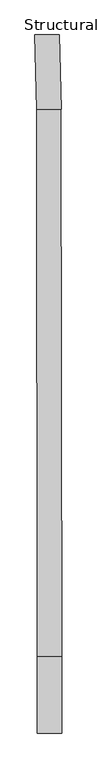
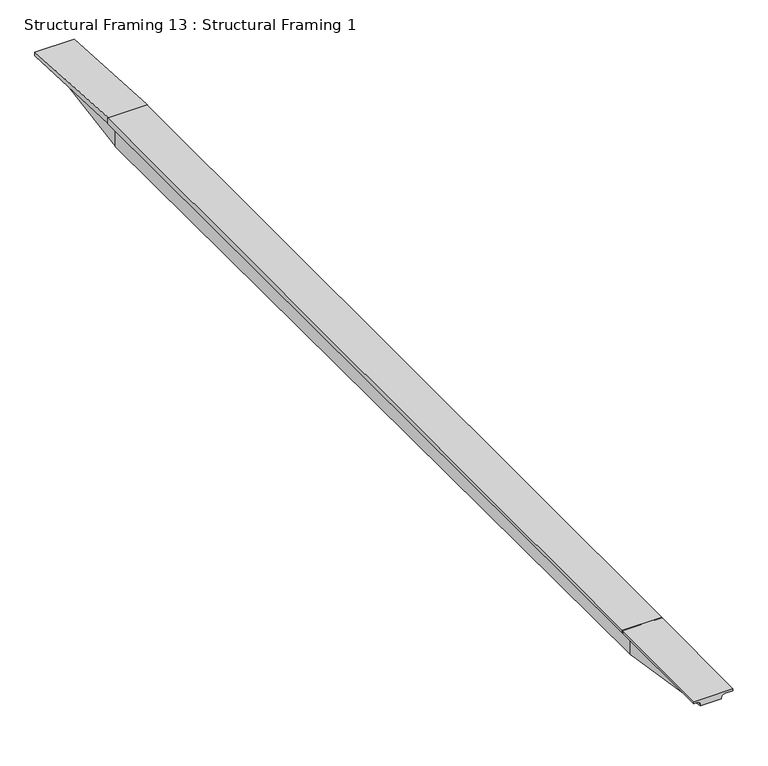
"""IFC4 building model written with IfcOpenShell, lengths in millimetres: beam geometry, Structural Framing 13 : Structural Framing 1."""

from ifc_helpers import new_model, si_unit, point, frame, origin, place, context, project, spatial, circle_curve, trimmed, source, transform, mapped, element, save
from ifc_brep_helpers import plane_surface, extruded_surface, spline_surface, advanced_brep


def structural_framing_13_structural_framing_1_60369990(model_context):
    return source(origin(), model_context, "Body", "AdvancedBrep", [
        advanced_brep(
        [(9959.5911336, -15419.398515, 6435.1474394), (10260.0436427, -15419.398515, 6435.1474394), (10260.0436427, -15419.398515, 6450.1474394), (10305.0436427, -15419.398515, 6495.1474394), (10422.3499345, -15419.398515, 6495.1474394), (10422.3499345, -15419.398515, 6525.1474394), (9868.5034847, -15419.398515, 6525.1474394), (9868.5034847, -15419.398515, 6495.1474394), (9919.5911336, -15419.398515, 6495.1474394), (9959.5911336, -15419.398515, 6455.1474394), (9985.1441832, -13669.733, 6128.9278364), (9985.1441832, -13669.733, 6453.3028364), (9945.1441832, -13669.733, 6493.3028364), (9870.1441832, -13669.733, 6493.3028364), (9870.1441832, -13669.733, 6530.6203153), (10424.3408508, -13669.733, 6530.6203153), (10424.3408508, -13669.733, 6488.9278364), (10326.8408508, -13669.733, 6488.9278364), (10291.8408508, -13669.733, 6453.9278364), (10291.8408508, -13669.733, 6128.9278364)],
        [
            (0, 1),
            (1, 2),
            (2, 3, circle_curve(frame((10305.0436427, -15419.398515, 6450.1474394), z_axis=(0.0, 1.0, 0.0), x_axis=(1.0, 0.0, 0.0)), 45.0)),
            (3, 4),
            (4, 5),
            (5, 6),
            (6, 7),
            (7, 8),
            (8, 9, circle_curve(frame((9919.5911336, -15419.398515, 6455.1474394), z_axis=(0.0, 1.0, 0.0), x_axis=(1.0, 0.0, 0.0)), 40.0)),
            (9, 0),
            (10, 11),
            (11, 12, circle_curve(frame((9945.1441832, -13669.733, 6453.3028364), z_axis=(0.0, -1.0, 0.0), x_axis=(1.0, 0.0, 0.0)), 40.0)),
            (12, 13),
            (13, 14),
            (14, 15),
            (15, 16),
            (16, 17),
            (17, 18, circle_curve(frame((10326.8408508, -13669.733, 6453.9278364), z_axis=(0.0, -1.0, 0.0), x_axis=(1.0, 0.0, 0.0)), 35.0)),
            (18, 19),
            (19, 10),
            (19, 1),
            (0, 10),
            (18, 2),
            (17, 3),
            (16, 4),
            (15, 5),
            (14, 6),
            (13, 7),
            (12, 8),
            (11, 9),
        ],
        [
            plane_surface(frame((10124.5611167, -15419.398515, 6480.6474394), z_axis=(0.0, -1.0, 0.0), x_axis=(0.0, 0.0, 1.0))),
            plane_surface(frame((10141.492517, -13669.733, 6419.0788322), z_axis=(0.0, 1.0, 0.0), x_axis=(1.0, 0.0, 0.0))),
            plane_surface(frame((10138.492517, -13669.733, 6128.9278364), z_axis=(0.0, -0.1723957020869721, -0.985027777223536), x_axis=(1.0, 0.0, 0.0))),
            plane_surface(frame((10291.8408508, -13669.733, 6291.4278364), z_axis=(0.9998349063538127, -0.018170306449332565, 0.0), x_axis=(0.0, 0.0, 1.0))),
            spline_surface(2, 1, [[(10291.8408508, -13669.733, 6453.9278364), (10260.0436427, -15419.398515, 6450.1474394)], [(10291.8408508, -13669.733, 6488.9278364), (10260.0436427, -15419.398515, 6495.1474394)], [(10326.8408508, -13669.733, 6488.9278364), (10305.0436427, -15419.398515, 6495.1474394)]], [3, 3], [2, 2], [0.0, 1.0], [0.0, 1.0], weights=[[1.0, 1.0], [0.7071067811865476, 0.7071067811865476], [1.0, 1.0]]),
            plane_surface(frame((10375.5908508, -13669.733, 6488.9278364), z_axis=(0.0, -0.003554715829066735, -0.9999936819777286), x_axis=(1.0, 0.0, 0.0))),
            plane_surface(frame((10424.3408508, -13669.733, 6509.7740758), z_axis=(0.9999993526106483, -0.0011378832472293484, 0.0), x_axis=(0.0, 0.0, 1.0))),
            plane_surface(frame((10147.242517, -13669.733, 6530.6203153), z_axis=(0.0, -0.0031279402691129594, 0.9999951079828705), x_axis=(-1.0, 0.0, 0.0))),
            plane_surface(frame((9870.1441832, -13669.733, 6511.9615758), z_axis=(-0.9999995603397319, 0.0009377208235758264, 0.0), x_axis=(0.0, 0.0, -1.0))),
            plane_surface(frame((9907.6441832, -13669.733, 6493.3028364), z_axis=(0.0, -0.001054259775092384, -0.9999994442680089), x_axis=(1.0, 0.0, 0.0))),
            extruded_surface(trimmed(circle_curve(frame((9945.1441832, -13669.733, 6453.3028364), z_axis=(0.0, 1.0, 0.0), x_axis=(1.0, 0.0, 0.0)), 40.0), [point((9945.1441832, -13669.733, 6493.3028364))], [point((9985.1441832, -13669.733, 6453.3028364))], True, "CARTESIAN"), (-25.553049599999213, -1749.6655150000006, 1.8446029999995517), 1749.8530724847458),
            plane_surface(frame((9985.1441832, -13669.733, 6291.1153364), z_axis=(-0.9998933708489924, 0.014602976828004821, 0.0), x_axis=(0.0, 0.0, -1.0))),
        ],
        [
            (0, [[1, 2, 3, 4, 5, 6, 7, 8, 9, 10]]),
            (1, [[11, 12, 13, 14, 15, 16, 17, 18, 19, 20]]),
            (2, [[-20, 21, -1, 22]]),
            (3, [[-19, 23, -2, -21]]),
            (4, [[-18, 24, -3, -23]]),
            (5, [[-17, 25, -4, -24]]),
            (6, [[-16, 26, -5, -25]]),
            (7, [[-15, 27, -6, -26]]),
            (8, [[-14, 28, -7, -27]]),
            (9, [[-13, 29, -8, -28]]),
            (10, [[-12, 30, -9, -29]]),
            (11, [[-11, -22, -10, -30]]),
        ],
    ),
        advanced_brep(
        [(9965.4701745, -1111.0746739, 6107.7037356), (10265.0575405, -1111.0746739, 6107.7037356), (10265.0575405, -1111.0746739, 6447.7037356), (10310.0575405, -1111.0746739, 6492.7037356), (10411.8166242, -1111.0746739, 6492.7037356), (10411.8166242, -1111.0746739, 6580.2037356), (9857.9701745, -1111.0746739, 6580.2037356), (9857.9701745, -1111.0746739, 6492.7037356), (9925.4701745, -1111.0746739, 6492.7037356), (9965.4701745, -1111.0746739, 6452.7037356), (9957.0973351, 599.5895126, 6412.6415468), (9957.0973351, 599.5895126, 6441.3915468), (9917.0973351, 599.5895126, 6481.3915468), (9812.0973351, 599.5895126, 6481.3915468), (9812.0973351, 599.5895126, 6537.6415468), (10366.2940026, 599.5895126, 6537.6415468), (10366.2940026, 599.5895126, 6472.6415468), (10296.2940026, 599.5895126, 6472.6415468), (10261.2940026, 599.5895126, 6437.6415468), (10261.2940026, 599.5895126, 6412.6415468)],
        [
            (0, 1),
            (1, 2),
            (2, 3, circle_curve(frame((10310.0575405, -1111.0746739, 6447.7037356), z_axis=(0.0, 1.0, 0.0), x_axis=(1.0, 0.0, 0.0)), 45.0)),
            (3, 4),
            (4, 5),
            (5, 6),
            (6, 7),
            (7, 8),
            (8, 9, circle_curve(frame((9925.4701745, -1111.0746739, 6452.7037356), z_axis=(0.0, 1.0, 0.0), x_axis=(1.0, 0.0, 0.0)), 40.0)),
            (9, 0),
            (10, 11),
            (11, 12, circle_curve(frame((9917.0973351, 599.5895126, 6441.3915468), z_axis=(0.0, -1.0, 0.0), x_axis=(1.0, 0.0, 0.0)), 40.0)),
            (12, 13),
            (13, 14),
            (14, 15),
            (15, 16),
            (16, 17),
            (17, 18, circle_curve(frame((10296.2940026, 599.5895126, 6437.6415468), z_axis=(0.0, -1.0, 0.0), x_axis=(1.0, 0.0, 0.0)), 35.0)),
            (18, 19),
            (19, 10),
            (19, 1),
            (0, 10),
            (18, 2),
            (17, 3),
            (16, 4),
            (15, 5),
            (14, 6),
            (13, 7),
            (12, 8),
            (11, 9),
        ],
        [
            plane_surface(frame((10123.6156742, -1111.0746739, 6424.7037356), z_axis=(0.0, -1.0, 0.0), x_axis=(0.0, 0.0, 1.0))),
            plane_surface(frame((10100.6956688, 599.5895126, 6468.7665468), z_axis=(0.0, 1.0, 0.0), x_axis=(1.0, 0.0, 0.0))),
            plane_surface(frame((10109.1956688, 599.5895126, 6412.6415468), z_axis=(0.0, 0.17549061662063295, -0.9844811036673635), x_axis=(1.0, 0.0, 0.0))),
            plane_surface(frame((10261.2940026, 599.5895126, 6425.1415468), z_axis=(0.9999975799101487, 0.002200039510052825, 0.0), x_axis=(0.0, 0.0, 1.0))),
            spline_surface(2, 1, [[(10261.2940026, 599.5895126, 6437.6415468), (10265.0575405, -1111.0746739, 6447.7037356)], [(10261.2940026, 599.5895126, 6472.6415468), (10265.0575405, -1111.0746739, 6492.7037356)], [(10296.2940026, 599.5895126, 6472.6415468), (10310.0575405, -1111.0746739, 6492.7037356)]], [3, 3], [2, 2], [0.0, 1.0], [0.0, 1.0], weights=[[1.0, 1.0], [0.7071067811865476, 0.7071067811865476], [1.0, 1.0]]),
            plane_surface(frame((10331.2940026, 599.5895126, 6472.6415468), z_axis=(0.0, -0.011726912529415167, -0.999931237397116), x_axis=(1.0, 0.0, 0.0))),
            plane_surface(frame((10366.2940026, 599.5895126, 6505.1415468), z_axis=(0.999646113152814, 0.026601662701257193, 0.0), x_axis=(0.0, 0.0, 1.0))),
            plane_surface(frame((10089.1956688, 599.5895126, 6537.6415468), z_axis=(0.0, 0.024872807545543198, 0.9996906238656049), x_axis=(-1.0, 0.0, 0.0))),
            plane_surface(frame((9812.0973351, 599.5895126, 6509.5165468), z_axis=(-0.9996406500587651, -0.026806170000386913, 0.0), x_axis=(0.0, 0.0, -1.0))),
            plane_surface(frame((9864.5973351, 599.5895126, 6481.3915468), z_axis=(0.0, -0.0066126020382346615, -0.9999781365081358), x_axis=(1.0, 0.0, 0.0))),
            extruded_surface(trimmed(circle_curve(frame((9917.0973351, 599.5895126, 6441.3915468), z_axis=(0.0, 1.0, 0.0), x_axis=(1.0, 0.0, 0.0)), 40.0), [point((9917.0973351, 599.5895126, 6481.3915468))], [point((9957.0973351, 599.5895126, 6441.3915468))], True, "CARTESIAN"), (8.372839400000885, -1710.6641865000001, 11.312188800000513), 1710.7220782549025),
            plane_surface(frame((9957.0973351, 599.5895126, 6427.0165468), z_axis=(-0.9999880221685727, -0.00489443759650172, 0.0), x_axis=(0.0, 0.0, -1.0))),
        ],
        [
            (0, [[1, 2, 3, 4, 5, 6, 7, 8, 9, 10]]),
            (1, [[11, 12, 13, 14, 15, 16, 17, 18, 19, 20]]),
            (2, [[-20, 21, -1, 22]]),
            (3, [[-19, 23, -2, -21]]),
            (4, [[-18, 24, -3, -23]]),
            (5, [[-17, 25, -4, -24]]),
            (6, [[-16, 26, -5, -25]]),
            (7, [[-15, 27, -6, -26]]),
            (8, [[-14, 28, -7, -27]]),
            (9, [[-13, 29, -8, -28]]),
            (10, [[-12, 30, -9, -29]]),
            (11, [[-11, -22, -10, -30]]),
        ],
    ),
        advanced_brep(
        [(9870.1441832, -13684.2069795, 6530.6203153), (9870.1441832, -13684.2069795, 6493.3028364), (9945.1441832, -13684.2069795, 6493.3028364), (9985.1441832, -13684.2069795, 6453.3028364), (9985.1441832, -13684.2069795, 6128.9278364), (10291.8408508, -13684.2069795, 6128.9278364), (10291.8408508, -13684.2069795, 6453.9278364), (10326.8408508, -13684.2069795, 6488.9278364), (10424.3408508, -13684.2069795, 6488.9278364), (10424.3408508, -13684.2069795, 6530.6203153), (9852.8875996, -1111.1089689, 6580.2037356), (10406.7340493, -1111.1089689, 6580.2037356), (10406.7340493, -1111.1089689, 6492.7037356), (10304.9749657, -1111.1089689, 6492.7037356), (10259.9749657, -1111.1089689, 6447.7037356), (10259.9749657, -1111.1089689, 6107.7037356), (9960.3875996, -1111.1089689, 6107.7037356), (9960.3875996, -1111.1089689, 6452.7037356), (9920.3875996, -1111.1089689, 6492.7037356), (9852.8875996, -1111.1089689, 6492.7037356)],
        [
            (0, 1),
            (1, 2),
            (2, 3, circle_curve(frame((9945.1441832, -13684.2069795, 6453.3028364), z_axis=(0.0, 1.0, 0.0), x_axis=(1.0, 0.0, 0.0)), 40.0)),
            (3, 4),
            (4, 5),
            (5, 6),
            (6, 7, circle_curve(frame((10326.8408508, -13684.2069795, 6453.9278364), z_axis=(0.0, 1.0, 0.0), x_axis=(1.0, 0.0, 0.0)), 35.0)),
            (7, 8),
            (8, 9),
            (9, 0),
            (10, 11),
            (11, 12),
            (12, 13),
            (13, 14, circle_curve(frame((10304.9749657, -1111.1089689, 6447.7037356), z_axis=(0.0, -1.0, 0.0), x_axis=(1.0, 0.0, 0.0)), 45.0)),
            (14, 15),
            (15, 16),
            (16, 17),
            (17, 18, circle_curve(frame((9920.3875996, -1111.1089689, 6452.7037356), z_axis=(0.0, -1.0, 0.0), x_axis=(1.0, 0.0, 0.0)), 40.0)),
            (18, 19),
            (19, 10),
            (19, 1),
            (0, 10),
            (18, 2),
            (17, 3),
            (16, 4),
            (15, 5),
            (14, 6),
            (13, 7),
            (12, 8),
            (11, 9),
        ],
        [
            plane_surface(frame((10141.492517, -13684.2069795, 6419.0788322), z_axis=(0.0, -1.0, 0.0), x_axis=(-1.0, 0.0, 0.0))),
            plane_surface(frame((10118.5330993, -1111.1089689, 6424.7037356), z_axis=(0.0, 1.0, 0.0), x_axis=(0.0, 0.0, -1.0))),
            plane_surface(frame((9852.8875996, -1111.1089689, 6536.4537356), z_axis=(-0.9999990581224808, -0.0013724992354045588, 0.0), x_axis=(0.0, 0.0, -1.0))),
            plane_surface(frame((9886.6375996, -1111.1089689, 6492.7037356), z_axis=(0.0, -4.764941025828181e-05, -0.9999999988647669), x_axis=(1.0, 0.0, 0.0))),
            extruded_surface(trimmed(circle_curve(frame((9920.3875996, -1111.1089689, 6452.7037356), z_axis=(0.0, 1.0, 0.0), x_axis=(1.0, 0.0, 0.0)), 40.0), [point((9920.3875996, -1111.1089689, 6492.7037356))], [point((9960.3875996, -1111.1089689, 6452.7037356))], True, "CARTESIAN"), (24.75658359999943, -12573.0980106, 0.5991008000000875), 12573.122397857542),
            plane_surface(frame((9960.3875996, -1111.1089689, 6280.2037356), z_axis=(-0.9999980615010702, -0.001969008405753122, 0.0), x_axis=(0.0, 0.0, -1.0))),
            plane_surface(frame((10110.1812826, -1111.1089689, 6107.7037356), z_axis=(0.0, -0.001688054165239717, -0.9999985752355527), x_axis=(1.0, 0.0, 0.0))),
            plane_surface(frame((10259.9749657, -1111.1089689, 6277.7037356), z_axis=(0.9999967882976967, 0.002534441613367901, 0.0), x_axis=(0.0, 0.0, 1.0))),
            spline_surface(2, 1, [[(10259.9749657, -1111.1089689, 6447.7037356), (10291.8408508, -13684.2069795, 6453.9278364)], [(10259.9749657, -1111.1089689, 6492.7037356), (10291.8408508, -13684.2069795, 6488.9278364)], [(10304.9749657, -1111.1089689, 6492.7037356), (10326.8408508, -13684.2069795, 6488.9278364)]], [3, 3], [2, 2], [0.0, 1.0], [0.0, 1.0], weights=[[1.0, 1.0], [0.7071067811865476, 0.7071067811865476], [1.0, 1.0]]),
            plane_surface(frame((10355.8545075, -1111.1089689, 6492.7037356), z_axis=(0.0, 0.0003003157312986745, -0.9999999549052297), x_axis=(1.0, 0.0, 0.0))),
            plane_surface(frame((10406.7340493, -1111.1089689, 6536.4537356), z_axis=(0.9999990195042842, 0.001400353694784652, 0.0), x_axis=(0.0, 0.0, 1.0))),
            plane_surface(frame((10129.8108244, -1111.1089689, 6580.2037356), z_axis=(0.0, -0.003943581343398225, 0.9999922240528614), x_axis=(-1.0, 0.0, 0.0))),
        ],
        [
            (0, [[1, 2, 3, 4, 5, 6, 7, 8, 9, 10]]),
            (1, [[11, 12, 13, 14, 15, 16, 17, 18, 19, 20]]),
            (2, [[-20, 21, -1, 22]]),
            (3, [[-19, 23, -2, -21]]),
            (4, [[-18, 24, -3, -23]]),
            (5, [[-17, 25, -4, -24]]),
            (6, [[-16, 26, -5, -25]]),
            (7, [[-15, 27, -6, -26]]),
            (8, [[-14, 28, -7, -27]]),
            (9, [[-13, 29, -8, -28]]),
            (10, [[-12, 30, -9, -29]]),
            (11, [[-11, -22, -10, -30]]),
        ],
    ),
    ])


if __name__ == "__main__":
    model = new_model("IFC4")
    model_context = context("Model", 3, world=origin())
    ifc_project = project(units=[si_unit("LENGTHUNIT", "METRE", prefix="MILLI")], contexts=[model_context])
    site = spatial("IfcSite", under=ifc_project)
    building = spatial("IfcBuilding", under=site)
    placement = place(None, origin())
    structural_framing_13_structural_framing_1_shape = structural_framing_13_structural_framing_1_60369990(model_context)
    element("IfcBeam", 1, ObjectType="Structural Framing 13 : Structural Framing 1", at=placement, inside=building, context=model_context, shape_type="MappedRepresentation", body=[
        mapped(structural_framing_13_structural_framing_1_shape, transform((0.0, 0.0, 0.0), x_axis=(1.0, 0.0, 0.0), y_axis=(0.0, 1.0, 0.0), z_axis=(0.0, 0.0, 1.0))),
    ])
    save(model, "model.ifc")
